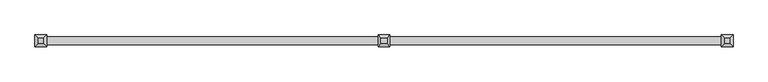
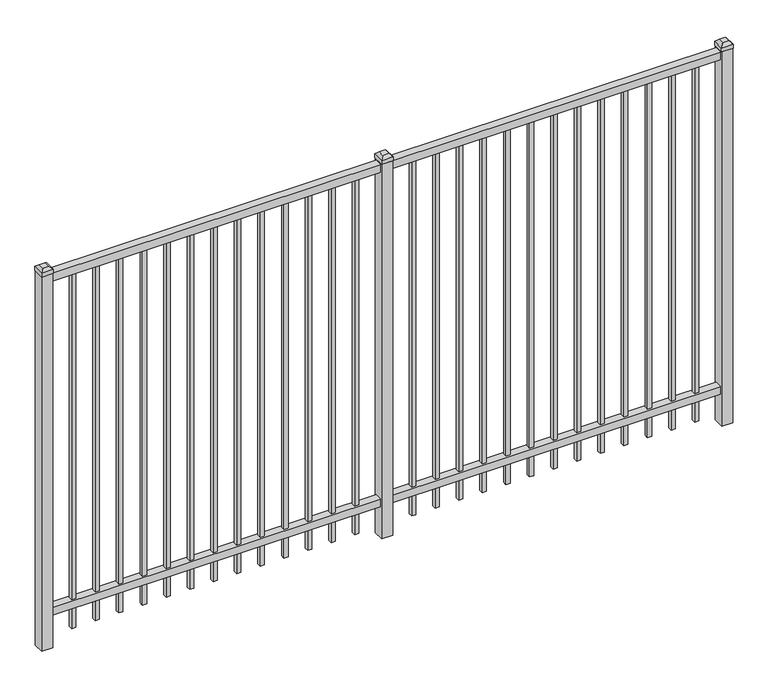
"""IFC4 building model written with IfcOpenShell, lengths in millimetres: railing geometry."""

from ifc_helpers import new_model, si_unit, frame, origin, origin_with_axes, place, context, project, spatial, polyline, outline, extrude, faceted_brep, source, transform, mapped, element, save


def railing_1dec3c12(model_context):
    return source(origin(), model_context, "Body", "SolidModel", [
        extrude(outline(polyline([(-67441.318087, 5443.2804826), (-67441.318087, 5478.2054826), (-64291.718087, 5478.2054826), (-64291.718087, 5443.2804826), (-67441.318087, 5443.2804826)])), frame((0.0, 0.0, 1790.7), z_axis=(0.0, 0.0, 1.0), x_axis=(1.0, 0.0, 0.0)), (0.0, 0.0, 1.0), 38.1),
        extrude(outline(polyline([(-67441.318087, 5443.2804826), (-67441.318087, 5478.2054826), (-64291.718087, 5478.2054826), (-64291.718087, 5443.2804826), (-67441.318087, 5443.2804826)])), frame((0.0, 0.0, 152.4), z_axis=(0.0, 0.0, 1.0), x_axis=(1.0, 0.0, 0.0)), (0.0, 0.0, 1.0), 38.1),
        extrude(outline(polyline([(-64523.2285036, 5470.2679826), (-64523.2285036, 5451.2179826), (-64542.2785036, 5451.2179826), (-64542.2785036, 5470.2679826), (-64523.2285036, 5470.2679826)])), frame((0.0, 0.0, 50.8), z_axis=(0.0, 0.0, 1.0), x_axis=(1.0, 0.0, 0.0)), (0.0, 0.0, 1.0), 1739.9),
        extrude(outline(polyline([(-64632.5014203, 5470.2679826), (-64632.5014203, 5451.2179826), (-64651.5514203, 5451.2179826), (-64651.5514203, 5470.2679826), (-64632.5014203, 5470.2679826)])), frame((0.0, 0.0, 50.8), z_axis=(0.0, 0.0, 1.0), x_axis=(1.0, 0.0, 0.0)), (0.0, 0.0, 1.0), 1739.9),
        extrude(outline(polyline([(-64741.774337, 5470.2679826), (-64741.774337, 5451.2179826), (-64760.824337, 5451.2179826), (-64760.824337, 5470.2679826), (-64741.774337, 5470.2679826)])), frame((0.0, 0.0, 50.8), z_axis=(0.0, 0.0, 1.0), x_axis=(1.0, 0.0, 0.0)), (0.0, 0.0, 1.0), 1739.9),
        extrude(outline(polyline([(-64851.0472536, 5470.2679826), (-64851.0472536, 5451.2179826), (-64870.0972536, 5451.2179826), (-64870.0972536, 5470.2679826), (-64851.0472536, 5470.2679826)])), frame((0.0, 0.0, 50.8), z_axis=(0.0, 0.0, 1.0), x_axis=(1.0, 0.0, 0.0)), (0.0, 0.0, 1.0), 1739.9),
        extrude(outline(polyline([(-64960.3201703, 5470.2679826), (-64960.3201703, 5451.2179826), (-64979.3701703, 5451.2179826), (-64979.3701703, 5470.2679826), (-64960.3201703, 5470.2679826)])), frame((0.0, 0.0, 50.8), z_axis=(0.0, 0.0, 1.0), x_axis=(1.0, 0.0, 0.0)), (0.0, 0.0, 1.0), 1739.9),
        extrude(outline(polyline([(-65069.593087, 5470.2679826), (-65069.593087, 5451.2179826), (-65088.643087, 5451.2179826), (-65088.643087, 5470.2679826), (-65069.593087, 5470.2679826)])), frame((0.0, 0.0, 50.8), z_axis=(0.0, 0.0, 1.0), x_axis=(1.0, 0.0, 0.0)), (0.0, 0.0, 1.0), 1739.9),
        extrude(outline(polyline([(-65178.8660036, 5470.2679826), (-65178.8660036, 5451.2179826), (-65197.9160036, 5451.2179826), (-65197.9160036, 5470.2679826), (-65178.8660036, 5470.2679826)])), frame((0.0, 0.0, 50.8), z_axis=(0.0, 0.0, 1.0), x_axis=(1.0, 0.0, 0.0)), (0.0, 0.0, 1.0), 1739.9),
        extrude(outline(polyline([(-65288.1389203, 5470.2679826), (-65288.1389203, 5451.2179826), (-65307.1889203, 5451.2179826), (-65307.1889203, 5470.2679826), (-65288.1389203, 5470.2679826)])), frame((0.0, 0.0, 50.8), z_axis=(0.0, 0.0, 1.0), x_axis=(1.0, 0.0, 0.0)), (0.0, 0.0, 1.0), 1739.9),
        extrude(outline(polyline([(-65397.411837, 5470.2679826), (-65397.411837, 5451.2179826), (-65416.461837, 5451.2179826), (-65416.461837, 5470.2679826), (-65397.411837, 5470.2679826)])), frame((0.0, 0.0, 50.8), z_axis=(0.0, 0.0, 1.0), x_axis=(1.0, 0.0, 0.0)), (0.0, 0.0, 1.0), 1739.9),
        extrude(outline(polyline([(-65506.6847536, 5470.2679826), (-65506.6847536, 5451.2179826), (-65525.7347536, 5451.2179826), (-65525.7347536, 5470.2679826), (-65506.6847536, 5470.2679826)])), frame((0.0, 0.0, 50.8), z_axis=(0.0, 0.0, 1.0), x_axis=(1.0, 0.0, 0.0)), (0.0, 0.0, 1.0), 1739.9),
        extrude(outline(polyline([(-65615.9576703, 5470.2679826), (-65615.9576703, 5451.2179826), (-65635.0076703, 5451.2179826), (-65635.0076703, 5470.2679826), (-65615.9576703, 5470.2679826)])), frame((0.0, 0.0, 50.8), z_axis=(0.0, 0.0, 1.0), x_axis=(1.0, 0.0, 0.0)), (0.0, 0.0, 1.0), 1739.9),
        extrude(outline(polyline([(-64413.955587, 5470.2679826), (-64413.955587, 5451.2179826), (-64433.005587, 5451.2179826), (-64433.005587, 5470.2679826), (-64413.955587, 5470.2679826)])), frame((0.0, 0.0, 50.8), z_axis=(0.0, 0.0, 1.0), x_axis=(1.0, 0.0, 0.0)), (0.0, 0.0, 1.0), 1739.9),
        extrude(outline(polyline([(-65725.230587, 5470.2679826), (-65725.230587, 5451.2179826), (-65744.280587, 5451.2179826), (-65744.280587, 5470.2679826), (-65725.230587, 5470.2679826)])), frame((0.0, 0.0, 50.8), z_axis=(0.0, 0.0, 1.0), x_axis=(1.0, 0.0, 0.0)), (0.0, 0.0, 1.0), 1739.9),
        extrude(outline(polyline([(-65841.118087, 5486.1429826), (-65841.118087, 5435.3429826), (-65891.918087, 5435.3429826), (-65891.918087, 5486.1429826), (-65841.118087, 5486.1429826)])), origin_with_axes(), (0.0, 0.0, 1.0), 1835.15),
        faceted_brep([(-65893.505587, 5487.7304826, 1854.2), (-65893.505587, 5487.7304826, 1835.15), (-65893.505587, 5433.7554826, 1835.15), (-65893.505587, 5433.7554826, 1854.2), (-65880.805587, 5475.0304826, 1866.9), (-65880.805587, 5446.4554826, 1866.9), (-65839.530587, 5433.7554826, 1835.15), (-65839.530587, 5433.7554826, 1854.2), (-65852.230587, 5446.4554826, 1866.9), (-65839.530587, 5487.7304826, 1835.15), (-65839.530587, 5487.7304826, 1854.2), (-65852.230587, 5475.0304826, 1866.9)], [[[0, 1, 2, 3]], [[4, 0, 3, 5]], [[3, 2, 6, 7]], [[5, 3, 7, 8]], [[7, 6, 9, 10]], [[8, 7, 10, 11]], [[10, 9, 1, 0]], [[11, 10, 0, 4]], [[5, 8, 11, 4]], [[1, 9, 6, 2]]]),
        extrude(outline(polyline([(-66098.0285036, 5470.2679826), (-66098.0285036, 5451.2179826), (-66117.0785036, 5451.2179826), (-66117.0785036, 5470.2679826), (-66098.0285036, 5470.2679826)])), frame((0.0, 0.0, 50.8), z_axis=(0.0, 0.0, 1.0), x_axis=(1.0, 0.0, 0.0)), (0.0, 0.0, 1.0), 1739.9),
        extrude(outline(polyline([(-66207.3014203, 5470.2679826), (-66207.3014203, 5451.2179826), (-66226.3514203, 5451.2179826), (-66226.3514203, 5470.2679826), (-66207.3014203, 5470.2679826)])), frame((0.0, 0.0, 50.8), z_axis=(0.0, 0.0, 1.0), x_axis=(1.0, 0.0, 0.0)), (0.0, 0.0, 1.0), 1739.9),
        extrude(outline(polyline([(-66316.574337, 5470.2679826), (-66316.574337, 5451.2179826), (-66335.624337, 5451.2179826), (-66335.624337, 5470.2679826), (-66316.574337, 5470.2679826)])), frame((0.0, 0.0, 50.8), z_axis=(0.0, 0.0, 1.0), x_axis=(1.0, 0.0, 0.0)), (0.0, 0.0, 1.0), 1739.9),
        extrude(outline(polyline([(-66425.8472536, 5470.2679826), (-66425.8472536, 5451.2179826), (-66444.8972536, 5451.2179826), (-66444.8972536, 5470.2679826), (-66425.8472536, 5470.2679826)])), frame((0.0, 0.0, 50.8), z_axis=(0.0, 0.0, 1.0), x_axis=(1.0, 0.0, 0.0)), (0.0, 0.0, 1.0), 1739.9),
        extrude(outline(polyline([(-66535.1201703, 5470.2679826), (-66535.1201703, 5451.2179826), (-66554.1701703, 5451.2179826), (-66554.1701703, 5470.2679826), (-66535.1201703, 5470.2679826)])), frame((0.0, 0.0, 50.8), z_axis=(0.0, 0.0, 1.0), x_axis=(1.0, 0.0, 0.0)), (0.0, 0.0, 1.0), 1739.9),
        extrude(outline(polyline([(-66644.393087, 5470.2679826), (-66644.393087, 5451.2179826), (-66663.443087, 5451.2179826), (-66663.443087, 5470.2679826), (-66644.393087, 5470.2679826)])), frame((0.0, 0.0, 50.8), z_axis=(0.0, 0.0, 1.0), x_axis=(1.0, 0.0, 0.0)), (0.0, 0.0, 1.0), 1739.9),
        extrude(outline(polyline([(-66753.6660036, 5470.2679826), (-66753.6660036, 5451.2179826), (-66772.7160036, 5451.2179826), (-66772.7160036, 5470.2679826), (-66753.6660036, 5470.2679826)])), frame((0.0, 0.0, 50.8), z_axis=(0.0, 0.0, 1.0), x_axis=(1.0, 0.0, 0.0)), (0.0, 0.0, 1.0), 1739.9),
        extrude(outline(polyline([(-66862.9389203, 5470.2679826), (-66862.9389203, 5451.2179826), (-66881.9889203, 5451.2179826), (-66881.9889203, 5470.2679826), (-66862.9389203, 5470.2679826)])), frame((0.0, 0.0, 50.8), z_axis=(0.0, 0.0, 1.0), x_axis=(1.0, 0.0, 0.0)), (0.0, 0.0, 1.0), 1739.9),
        extrude(outline(polyline([(-66972.211837, 5470.2679826), (-66972.211837, 5451.2179826), (-66991.261837, 5451.2179826), (-66991.261837, 5470.2679826), (-66972.211837, 5470.2679826)])), frame((0.0, 0.0, 50.8), z_axis=(0.0, 0.0, 1.0), x_axis=(1.0, 0.0, 0.0)), (0.0, 0.0, 1.0), 1739.9),
        extrude(outline(polyline([(-67081.4847536, 5470.2679826), (-67081.4847536, 5451.2179826), (-67100.5347536, 5451.2179826), (-67100.5347536, 5470.2679826), (-67081.4847536, 5470.2679826)])), frame((0.0, 0.0, 50.8), z_axis=(0.0, 0.0, 1.0), x_axis=(1.0, 0.0, 0.0)), (0.0, 0.0, 1.0), 1739.9),
        extrude(outline(polyline([(-67190.7576703, 5470.2679826), (-67190.7576703, 5451.2179826), (-67209.8076703, 5451.2179826), (-67209.8076703, 5470.2679826), (-67190.7576703, 5470.2679826)])), frame((0.0, 0.0, 50.8), z_axis=(0.0, 0.0, 1.0), x_axis=(1.0, 0.0, 0.0)), (0.0, 0.0, 1.0), 1739.9),
        extrude(outline(polyline([(-65988.755587, 5470.2679826), (-65988.755587, 5451.2179826), (-66007.805587, 5451.2179826), (-66007.805587, 5470.2679826), (-65988.755587, 5470.2679826)])), frame((0.0, 0.0, 50.8), z_axis=(0.0, 0.0, 1.0), x_axis=(1.0, 0.0, 0.0)), (0.0, 0.0, 1.0), 1739.9),
        extrude(outline(polyline([(-67300.030587, 5470.2679826), (-67300.030587, 5451.2179826), (-67319.080587, 5451.2179826), (-67319.080587, 5470.2679826), (-67300.030587, 5470.2679826)])), frame((0.0, 0.0, 50.8), z_axis=(0.0, 0.0, 1.0), x_axis=(1.0, 0.0, 0.0)), (0.0, 0.0, 1.0), 1739.9),
        extrude(outline(polyline([(-64266.318087, 5486.1429826), (-64266.318087, 5435.3429826), (-64317.118087, 5435.3429826), (-64317.118087, 5486.1429826), (-64266.318087, 5486.1429826)])), origin_with_axes(), (0.0, 0.0, 1.0), 1835.15),
        faceted_brep([(-64318.705587, 5487.7304826, 1854.2), (-64318.705587, 5487.7304826, 1835.15), (-64318.705587, 5433.7554826, 1835.15), (-64318.705587, 5433.7554826, 1854.2), (-64306.005587, 5475.0304826, 1866.9), (-64306.005587, 5446.4554826, 1866.9), (-64264.730587, 5433.7554826, 1835.15), (-64264.730587, 5433.7554826, 1854.2), (-64277.430587, 5446.4554826, 1866.9), (-64264.730587, 5487.7304826, 1835.15), (-64264.730587, 5487.7304826, 1854.2), (-64277.430587, 5475.0304826, 1866.9)], [[[0, 1, 2, 3]], [[4, 0, 3, 5]], [[3, 2, 6, 7]], [[5, 3, 7, 8]], [[7, 6, 9, 10]], [[8, 7, 10, 11]], [[10, 9, 1, 0]], [[11, 10, 0, 4]], [[5, 8, 11, 4]], [[1, 9, 6, 2]]]),
        extrude(outline(polyline([(-67415.918087, 5486.1429826), (-67415.918087, 5435.3429826), (-67466.718087, 5435.3429826), (-67466.718087, 5486.1429826), (-67415.918087, 5486.1429826)])), origin_with_axes(), (0.0, 0.0, 1.0), 1835.15),
        faceted_brep([(-67468.305587, 5487.7304826, 1854.2), (-67468.305587, 5487.7304826, 1835.15), (-67468.305587, 5433.7554826, 1835.15), (-67468.305587, 5433.7554826, 1854.2), (-67455.605587, 5475.0304826, 1866.9), (-67455.605587, 5446.4554826, 1866.9), (-67414.330587, 5433.7554826, 1835.15), (-67414.330587, 5433.7554826, 1854.2), (-67427.030587, 5446.4554826, 1866.9), (-67414.330587, 5487.7304826, 1835.15), (-67414.330587, 5487.7304826, 1854.2), (-67427.030587, 5475.0304826, 1866.9)], [[[0, 1, 2, 3]], [[4, 0, 3, 5]], [[3, 2, 6, 7]], [[5, 3, 7, 8]], [[7, 6, 9, 10]], [[8, 7, 10, 11]], [[10, 9, 1, 0]], [[11, 10, 0, 4]], [[5, 8, 11, 4]], [[1, 9, 6, 2]]]),
    ])


if __name__ == "__main__":
    model = new_model("IFC4")
    model_context = context("Model", 3, world=origin())
    ifc_project = project(units=[si_unit("LENGTHUNIT", "METRE", prefix="MILLI")], contexts=[model_context])
    site = spatial("IfcSite", under=ifc_project)
    building = spatial("IfcBuilding", under=site)
    placement = place(None, origin())
    railing_shape = railing_1dec3c12(model_context)
    element("IfcRailing", 1, at=placement, inside=building, context=model_context, shape_type="MappedRepresentation", body=[
        mapped(railing_shape, transform((0.0, 0.0, 0.0), x_axis=(1.0, 0.0, 0.0), y_axis=(0.0, 1.0, 0.0), z_axis=(0.0, 0.0, 1.0))),
    ])
    save(model, "model.ifc")
